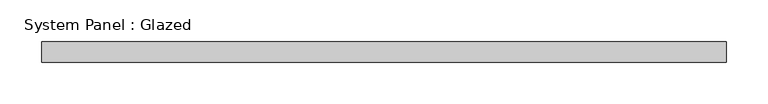
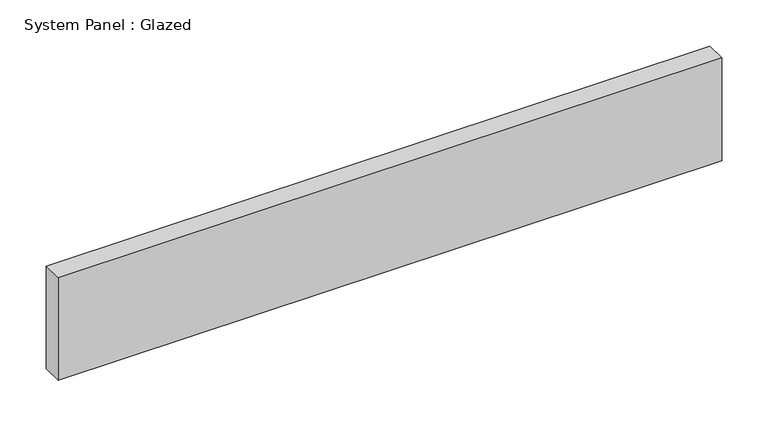
"""IFC4 building model written with IfcOpenShell, lengths in millimetres: plate geometry, System Panel : Glazed."""

from ifc_helpers import new_model, si_unit, origin, origin_with_axes, place, context, project, spatial, polyline, outline, extrude, source, transform, mapped, element, save


def system_panel_glazed_b9de4c5c(model_context):
    return source(origin(), model_context, "Body", "SweptSolid", [
        extrude(outline(polyline([(412.5, 24.5), (-412.5, 24.5), (-412.5, 49.5), (412.5, 49.5), (412.5, 24.5)])), origin_with_axes(), (0.0, 0.0, 1.0), 135.0),
    ])


if __name__ == "__main__":
    model = new_model("IFC4")
    model_context = context("Model", 3, world=origin())
    ifc_project = project(units=[si_unit("LENGTHUNIT", "METRE", prefix="MILLI")], contexts=[model_context])
    site = spatial("IfcSite", under=ifc_project)
    building = spatial("IfcBuilding", under=site)
    placement = place(None, origin())
    system_panel_glazed_shape = system_panel_glazed_b9de4c5c(model_context)
    element("IfcPlate", 1, ObjectType="System Panel : Glazed", at=placement, inside=building, context=model_context, shape_type="MappedRepresentation", body=[
        mapped(system_panel_glazed_shape, transform((0.0, 0.0, 0.0), x_axis=(1.0, 0.0, 0.0), y_axis=(0.0, 1.0, 0.0), z_axis=(0.0, 0.0, 1.0))),
    ])
    save(model, "model.ifc")
